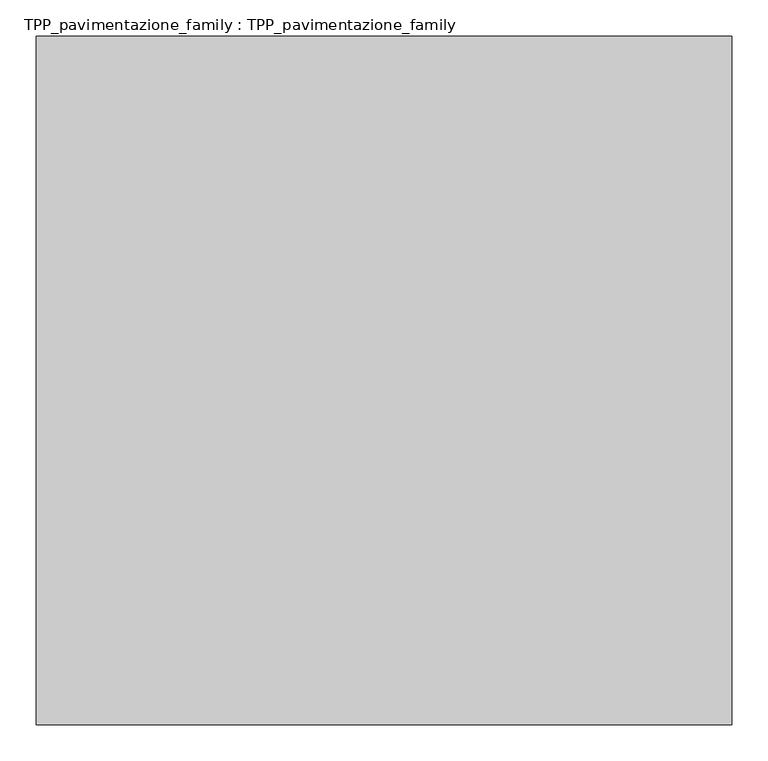
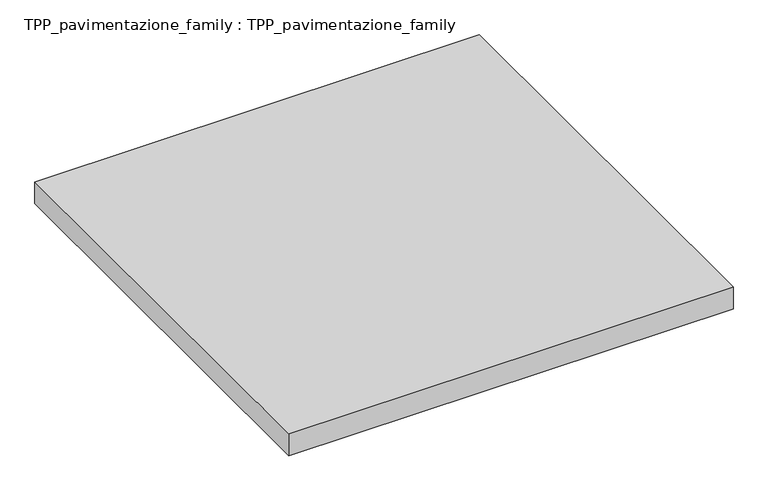
"""IFC4 building model written with IfcOpenShell, lengths in millimetres: proxy geometry, TPP_pavimentazione_family : TPP_pavimentazione_family."""

import ifcopenshell
import ifcopenshell.guid

model = None  # the IFC model being written
_history = None  # IfcOwnerHistory: only IFC2X3 demands one
_inside = {}  # id of a spatial element -> (the spatial element, [elements in it])
_under = {}  # id of a project, library or spatial element -> (it, [spatial elements below it])
_declared = {}  # id of a project -> (the project, [libraries it declares])
_typed = {}  # id of a type object -> (the type object, [elements of that type])
_made_of = {}  # id of a material, layer set ... -> (it, [elements and type objects made of it])


def new_model(schema):
    """Start an empty IFC model of exactly this schema.

    Asked for "IFC4X3", IfcOpenShell would pick the latest addendum, in which some entities
    have other attributes; the version numbers below select the first issue.
    IFC2X3 requires an IfcOwnerHistory on every rooted entity: one is made here for all.
    """
    global model, _history
    if schema == "IFC4X3":
        model = ifcopenshell.file(schema_version=(4, 3, 0, 0))
    else:
        model = ifcopenshell.file(schema=schema)
    _inside.clear()
    _under.clear()
    _declared.clear()
    _typed.clear()
    _made_of.clear()
    _history = None
    if model.schema == "IFC2X3":
        org = make("IfcOrganization", Name="unknown")
        user = make(
            "IfcPersonAndOrganization",
            ThePerson=make("IfcPerson", FamilyName="unknown"),
            TheOrganization=org,
        )
        app = make(
            "IfcApplication",
            ApplicationDeveloper=org,
            Version="unknown",
            ApplicationFullName="unknown",
            ApplicationIdentifier="unknown",
        )
        _history = make(
            "IfcOwnerHistory",
            OwningUser=user,
            OwningApplication=app,
            ChangeAction="ADDED",
            CreationDate=0,
        )
    return model


def make(cls, **values):
    """One entity of the class cls with the attributes given. An attribute that is None is left unset."""
    return model.create_entity(
        cls, **{name: value for name, value in values.items() if value is not None}
    )


def rooted(cls, **values):
    """An entity with a GlobalId (a new one), such as an element, a storey or a relation."""
    return make(cls, GlobalId=ifcopenshell.guid.new(), OwnerHistory=_history, **values)


def si_unit(unit_type, name, prefix=None):
    """IfcSIUnit, for example si_unit("LENGTHUNIT", "METRE", prefix="MILLI")."""
    return make("IfcSIUnit", UnitType=unit_type, Prefix=prefix, Name=name)


def assignment(units):
    """IfcUnitAssignment: the units of a project."""
    return None if units is None else make("IfcUnitAssignment", Units=units)


def point(xyz):
    """IfcCartesianPoint."""
    return None if xyz is None else make("IfcCartesianPoint", Coordinates=xyz)


def direction(xyz):
    """IfcDirection."""
    return None if xyz is None else make("IfcDirection", DirectionRatios=xyz)


def frame(location, z_axis=None, x_axis=None):
    """IfcAxis2Placement3D, a coordinate frame: its origin and axes. An axis left out is left unset."""
    return make(
        "IfcAxis2Placement3D",
        Location=point(location),
        Axis=direction(z_axis),
        RefDirection=direction(x_axis),
    )


def origin():
    """The frame at (0, 0, 0) with its axes left unset."""
    return frame((0.0, 0.0, 0.0))


def origin_with_axes():
    """The frame at (0, 0, 0) with the z axis (0, 0, 1) and the x axis (1, 0, 0) written out."""
    return frame((0.0, 0.0, 0.0), z_axis=(0.0, 0.0, 1.0), x_axis=(1.0, 0.0, 0.0))


def place(relative_to, where):
    """IfcLocalPlacement: puts the frame where relative to a parent placement (None: the world)."""
    return make(
        "IfcLocalPlacement", PlacementRelTo=relative_to, RelativePlacement=where
    )


def context(
    kind, dimensions, precision=None, world=None, true_north=None, identifier=None
):
    """IfcGeometricRepresentationContext, for example the 3D "Model" context."""
    return make(
        "IfcGeometricRepresentationContext",
        ContextIdentifier=identifier,
        ContextType=kind,
        CoordinateSpaceDimension=dimensions,
        Precision=precision,
        WorldCoordinateSystem=world,
        TrueNorth=true_north,
    )


def project(units=None, contexts=None):
    """IfcProject with its units and contexts."""
    return rooted(
        "IfcProject",
        Name="project",
        RepresentationContexts=contexts,
        UnitsInContext=assignment(units),
    )


def spatial(cls, under=None, at=None, **own):
    """A site, building, storey or space (cls), placed at a placement, below another one or the project."""
    s = rooted(cls, ObjectPlacement=at, **own)
    if under is not None:
        _under.setdefault(under.id(), (under, []))[1].append(s)
    return s


def polyline(points):
    """IfcPolyline through the points."""
    return make("IfcPolyline", Points=[point(p) for p in points])


def outline(outer, holes=None, kind="AREA"):
    """IfcArbitraryClosedProfileDef: a profile drawn as a closed curve; with holes, ...WithVoids."""
    if holes is None:
        return make("IfcArbitraryClosedProfileDef", ProfileType=kind, OuterCurve=outer)
    return make(
        "IfcArbitraryProfileDefWithVoids",
        ProfileType=kind,
        OuterCurve=outer,
        InnerCurves=holes,
    )


def extrude(swept, where, along, depth):
    """IfcExtrudedAreaSolid: the profile swept, set in the frame where, extruded along a direction by depth."""
    return make(
        "IfcExtrudedAreaSolid",
        SweptArea=swept,
        Position=where,
        ExtrudedDirection=direction(along),
        Depth=depth,
    )


def shape(context_of_items, identifier, shape_type, items):
    """IfcShapeRepresentation: the items that make up one representation, for example the "Body"."""
    return make(
        "IfcShapeRepresentation",
        ContextOfItems=context_of_items,
        RepresentationIdentifier=identifier,
        RepresentationType=shape_type,
        Items=items,
    )


def source(mapping_origin, context_of_items, identifier, shape_type, items):
    """IfcRepresentationMap: a shape defined once, which mapped items show again and again."""
    return make(
        "IfcRepresentationMap",
        MappingOrigin=mapping_origin,
        MappedRepresentation=shape(context_of_items, identifier, shape_type, items),
    )


def transform(
    local_origin,
    x_axis=None,
    y_axis=None,
    z_axis=None,
    scale=None,
    scale2=None,
    scale3=None,
    uniform=True,
):
    """IfcCartesianTransformationOperator3D, or its non-uniform kind. x_axis, y_axis, z_axis: its Axis1, 2, 3."""
    if uniform:
        return make(
            "IfcCartesianTransformationOperator3D",
            Axis1=direction(x_axis),
            Axis2=direction(y_axis),
            LocalOrigin=point(local_origin),
            Scale=scale,
            Axis3=direction(z_axis),
        )
    return make(
        "IfcCartesianTransformationOperator3DnonUniform",
        Axis1=direction(x_axis),
        Axis2=direction(y_axis),
        LocalOrigin=point(local_origin),
        Scale=scale,
        Axis3=direction(z_axis),
        Scale2=scale2,
        Scale3=scale3,
    )


def mapped(mapping_source, mapping_target):
    """IfcMappedItem: shows the shape of a source again, moved by a transform."""
    return make(
        "IfcMappedItem", MappingSource=mapping_source, MappingTarget=mapping_target
    )


def made_of(thing, what):
    """Note that an element or type object is made of a material, layer set ...; save() writes the relation."""
    if what is not None:
        _made_of.setdefault(what.id(), (what, []))[1].append(thing)
    return thing


def element(
    cls,
    number,
    at=None,
    inside=None,
    cuts=None,
    type_object=None,
    material=None,
    context=None,
    identifier="Body",
    shape_type=None,
    held_by="IfcProductDefinitionShape",
    body=None,
    shapes=None,
    **own,
):
    """One element of the class cls, such as IfcWall. Its Tag is "e" and its number.

    at: its placement. inside: the storey or other place that contains it. cuts: it is an
    opening in that element (IfcRelVoidsElement). A single representation is given by context,
    identifier, shape_type and body (its items); several are given by shapes. held_by: the class
    of the entity that holds the representations. save() writes the other relations.
    """
    e = rooted(cls, Tag="e%d" % number, ObjectPlacement=at, **own)
    if body is not None:
        shapes = [shape(context, identifier, shape_type, body)]
    if shapes is not None:
        e.Representation = make(held_by, Representations=shapes)
    if inside is not None:
        _inside.setdefault(inside.id(), (inside, []))[1].append(e)
    if cuts is not None:
        rooted(
            "IfcRelVoidsElement", RelatingBuildingElement=cuts, RelatedOpeningElement=e
        )
    if type_object is not None:
        _typed.setdefault(type_object.id(), (type_object, []))[1].append(e)
    return made_of(e, material)


def aggregate(whole, parts):
    """IfcRelAggregates: a whole, such as a stair, and the parts it consists of."""
    return rooted("IfcRelAggregates", RelatingObject=whole, RelatedObjects=parts)


def save(model, path):
    """Write the relations noted so far, then the file.

    IfcRelAggregates (storeys below a building ...), IfcRelContainedInSpatialStructure (elements
    in a storey), IfcRelDefinesByType, IfcRelAssociatesMaterial and IfcRelDeclares: one each for
    every whole, place, type object, material and project.
    """
    for whole, parts in _under.values():
        aggregate(whole, parts)
    for where, things in _inside.values():
        rooted(
            "IfcRelContainedInSpatialStructure",
            RelatedElements=things,
            RelatingStructure=where,
        )
    for kind, things in _typed.values():
        rooted("IfcRelDefinesByType", RelatedObjects=things, RelatingType=kind)
    for what, things in _made_of.values():
        rooted("IfcRelAssociatesMaterial", RelatedObjects=things, RelatingMaterial=what)
    for by, libraries in _declared.values():
        rooted("IfcRelDeclares", RelatingContext=by, RelatedDefinitions=libraries)
    model.write(path)


def tpp_pavimentazione_family_tpp_pavimentazione_family_4da63a86(model_context):
    return source(origin(), model_context, "Body", "SweptSolid", [
        extrude(outline(polyline([(511.8146187, 354.2201026), (511.8146187, -595.0823457), (-447.1511571, -595.0823457), (-447.1511571, 354.2201026), (511.8146187, 354.2201026)])), origin_with_axes(), (0.0, 0.0, 1.0), 50.0),
    ])


if __name__ == "__main__":
    model = new_model("IFC4")
    model_context = context("Model", 3, world=origin())
    ifc_project = project(units=[si_unit("LENGTHUNIT", "METRE", prefix="MILLI")], contexts=[model_context])
    site = spatial("IfcSite", under=ifc_project)
    building = spatial("IfcBuilding", under=site)
    placement = place(None, origin())
    tpp_pavimentazione_family_tpp_pavimentazione_family_shape = tpp_pavimentazione_family_tpp_pavimentazione_family_4da63a86(model_context)
    element("IfcBuildingElementProxy", 1, Name="TPP_pavimentazione_family : TPP_pavimentazione_family", ObjectType="TPP_pavimentazione_family : TPP_pavimentazione_family", at=placement, inside=building, context=model_context, shape_type="MappedRepresentation", body=[
        mapped(tpp_pavimentazione_family_tpp_pavimentazione_family_shape, transform((0.0, 0.0, 0.0), x_axis=(1.0, 0.0, 0.0), y_axis=(0.0, 1.0, 0.0), z_axis=(0.0, 0.0, 1.0))),
    ])
    save(model, "model.ifc")
